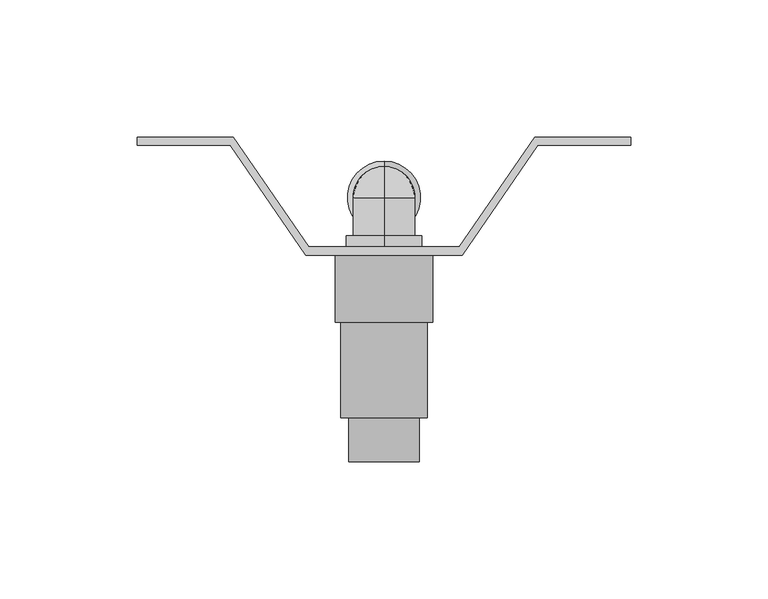
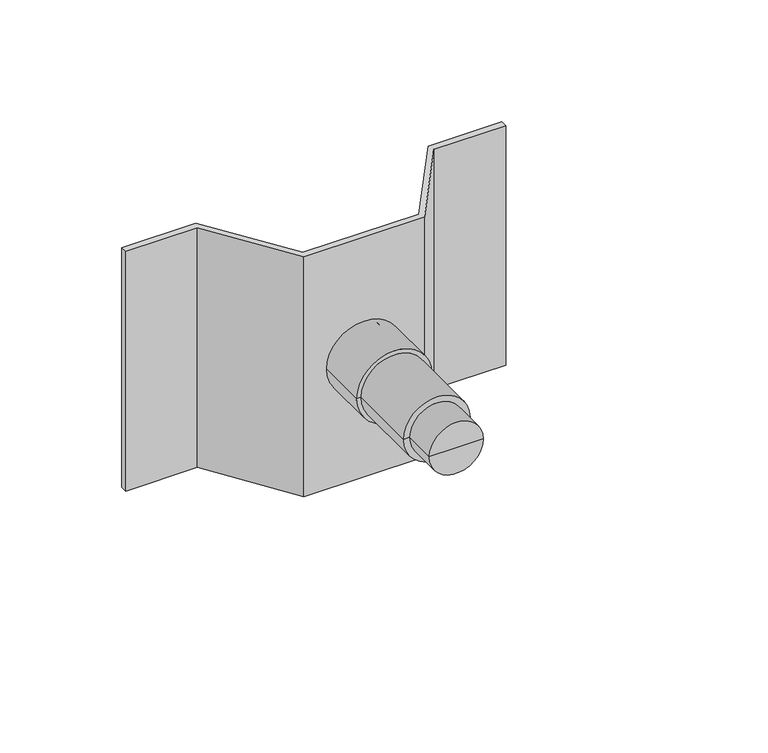
"""IFC4 building model written with IfcOpenShell, lengths in millimetres: flow terminal geometry."""

from ifc_helpers import new_model, si_unit, point, frame, origin, place, context, project, spatial, polyline, circle_curve, ellipse_curve, trimmed, outline, extrude, source, transform, mapped, element, save
from ifc_brep_helpers import plane_surface, cylinder_surface, revolved_surface, advanced_brep


def flow_terminal_7db11629(model_context):
    return source(origin(), model_context, "Body", "SolidModel", [
        advanced_brep(
        [(0.0, 0.0, -11.3), (0.0, 0.0, 11.3), (0.0, 11.3, 0.0), (0.0, -14.0, -11.3), (0.0, -14.0, 11.3), (0.0, -14.0, -13.8), (0.0, -14.0, 13.8), (0.0, -18.0, -13.8), (0.0, -18.0, 13.8), (0.0, -18.0, -11.3), (0.0, -18.0, 11.3), (0.0, -29.0, -11.3), (0.0, -29.0, 11.3), (0.0, -29.0, 0.0)],
        [
            (0, 1, circle_curve(frame((0.0, 0.0, 0.0), z_axis=(0.0, 1.0, 0.0), x_axis=(0.0, 0.0, 1.0)), 11.3)),
            (1, 2, circle_curve(frame((0.0, 0.0, 0.0), z_axis=(-1.0, 0.0, 0.0), x_axis=(0.0, 1.0, 0.0)), 11.3)),
            (2, 0, circle_curve(frame((0.0, 0.0, 0.0), z_axis=(-1.0, 0.0, 0.0), x_axis=(0.0, 1.0, 0.0)), 11.3)),
            (1, 0, circle_curve(frame((0.0, 0.0, 0.0), z_axis=(0.0, 1.0, 0.0), x_axis=(0.0, 0.0, 1.0)), 11.3)),
            (3, 4, circle_curve(frame((0.0, -14.0, 0.0), z_axis=(0.0, 1.0, 0.0), x_axis=(0.0, 0.0, 1.0)), 11.3)),
            (4, 1),
            (0, 3),
            (4, 3, circle_curve(frame((0.0, -14.0, 0.0), z_axis=(0.0, 1.0, 0.0), x_axis=(0.0, 0.0, 1.0)), 11.3)),
            (5, 6, circle_curve(frame((0.0, -14.0, 0.0), z_axis=(0.0, 1.0, 0.0), x_axis=(0.0, 0.0, 1.0)), 13.8)),
            (6, 4),
            (3, 5),
            (6, 5, circle_curve(frame((0.0, -14.0, 0.0), z_axis=(0.0, 1.0, 0.0), x_axis=(0.0, 0.0, 1.0)), 13.8)),
            (7, 8, circle_curve(frame((0.0, -18.0, 0.0), z_axis=(0.0, 1.0, 0.0), x_axis=(0.0, 0.0, 1.0)), 13.8)),
            (8, 6),
            (5, 7),
            (8, 7, circle_curve(frame((0.0, -18.0, 0.0), z_axis=(0.0, 1.0, 0.0), x_axis=(0.0, 0.0, 1.0)), 13.8)),
            (9, 10, circle_curve(frame((0.0, -18.0, 0.0), z_axis=(0.0, 1.0, 0.0), x_axis=(0.0, 0.0, 1.0)), 11.3)),
            (10, 8),
            (7, 9),
            (10, 9, circle_curve(frame((0.0, -18.0, 0.0), z_axis=(0.0, 1.0, 0.0), x_axis=(0.0, 0.0, 1.0)), 11.3)),
            (11, 12, circle_curve(frame((0.0, -29.0, 0.0), z_axis=(0.0, 1.0, 0.0), x_axis=(0.0, 0.0, 1.0)), 11.3)),
            (12, 10),
            (9, 11),
            (12, 11, circle_curve(frame((0.0, -29.0, 0.0), z_axis=(0.0, 1.0, 0.0), x_axis=(0.0, 0.0, 1.0)), 11.3)),
            (13, 12),
            (11, 13),
        ],
        [
            revolved_surface(trimmed(ellipse_curve(frame((0.0, 0.0, 0.0), z_axis=(1.0, 0.0, 0.0), x_axis=(0.0, 1.0, 0.0)), 11.3, 11.3), [point((0.0, 11.3, 0.0))], [point((0.0, 0.0, 11.3))], True, "CARTESIAN"), (0.0, 15.1860858, 0.0), (0.0, -1.0, 0.0)),
            cylinder_surface(frame((0.0, 15.1860858, 0.0), z_axis=(0.0, -1.0, 0.0), x_axis=(0.0, 0.0, 1.0)), 11.3),
            plane_surface(frame((0.0, -14.0, 0.0), z_axis=(0.0, 1.0, 0.0), x_axis=(0.0, 0.0, 1.0))),
            cylinder_surface(frame((0.0, 15.1860858, 0.0), z_axis=(0.0, -1.0, 0.0), x_axis=(0.0, 0.0, 1.0)), 13.8),
            plane_surface(frame((0.0, -18.0, 0.0), z_axis=(0.0, -1.0, 0.0), x_axis=(0.0, 0.0, 1.0))),
            plane_surface(frame((0.0, -29.0, 0.0), z_axis=(0.0, -1.0, 0.0), x_axis=(0.0, 0.0, 1.0))),
        ],
        [
            (0, [[1, 2, 3]]),
            (0, [[4, -3, -2]]),
            (1, [[5, 6, -1, 7]]),
            (1, [[8, -7, -4, -6]]),
            (2, [[9, 10, -5, 11]]),
            (2, [[12, -11, -8, -10]]),
            (3, [[13, 14, -9, 15]]),
            (3, [[16, -15, -12, -14]]),
            (4, [[17, 18, -13, 19]]),
            (4, [[20, -19, -16, -18]]),
            (1, [[21, 22, -17, 23]]),
            (1, [[24, -23, -20, -22]]),
            (5, [[25, -21, 26]]),
            (5, [[-26, -24, -25]]),
        ],
    ),
        advanced_brep(
        [(-17.85, -21.0, 0.0), (17.85, -21.0, 0.0), (17.85, -45.5, 0.0), (-17.85, -45.5, 0.0), (15.85, -45.5, 0.0), (-15.85, -45.5, 0.0), (15.85, -80.3, 0.0), (-15.85, -80.3, 0.0), (12.85, -80.3, 0.0), (-12.85, -80.3, 0.0), (12.85, -96.3, 0.0), (-12.85, -96.3, 0.0), (0.0, -96.3, 0.0), (0.0, -21.0, 0.0)],
        [
            (0, 1, circle_curve(frame((0.0, -21.0, 0.0), z_axis=(0.0, -1.0, 0.0), x_axis=(1.0, 0.0, 0.0)), 17.85)),
            (1, 2),
            (2, 3, circle_curve(frame((0.0, -45.5, 0.0), z_axis=(0.0, 1.0, 0.0), x_axis=(1.0, 0.0, 0.0)), 17.85)),
            (3, 0),
            (1, 0, circle_curve(frame((0.0, -21.0, 0.0), z_axis=(0.0, -1.0, 0.0), x_axis=(1.0, 0.0, 0.0)), 17.85)),
            (3, 2, circle_curve(frame((0.0, -45.5, 0.0), z_axis=(0.0, 1.0, 0.0), x_axis=(1.0, 0.0, 0.0)), 17.85)),
            (2, 4),
            (4, 5, circle_curve(frame((0.0, -45.5, 0.0), z_axis=(0.0, 1.0, 0.0), x_axis=(1.0, 0.0, 0.0)), 15.85)),
            (5, 3),
            (5, 4, circle_curve(frame((0.0, -45.5, 0.0), z_axis=(0.0, 1.0, 0.0), x_axis=(1.0, 0.0, 0.0)), 15.85)),
            (4, 6),
            (6, 7, circle_curve(frame((0.0, -80.3, 0.0), z_axis=(0.0, 1.0, 0.0), x_axis=(1.0, 0.0, 0.0)), 15.85)),
            (7, 5),
            (7, 6, circle_curve(frame((0.0, -80.3, 0.0), z_axis=(0.0, 1.0, 0.0), x_axis=(1.0, 0.0, 0.0)), 15.85)),
            (6, 8),
            (8, 9, circle_curve(frame((0.0, -80.3, 0.0), z_axis=(0.0, 1.0, 0.0), x_axis=(1.0, 0.0, 0.0)), 12.85)),
            (9, 7),
            (9, 8, circle_curve(frame((0.0, -80.3, 0.0), z_axis=(0.0, 1.0, 0.0), x_axis=(1.0, 0.0, 0.0)), 12.85)),
            (8, 10),
            (10, 11, circle_curve(frame((0.0, -96.3, 0.0), z_axis=(0.0, 1.0, 0.0), x_axis=(1.0, 0.0, 0.0)), 12.85)),
            (11, 9),
            (11, 10, circle_curve(frame((0.0, -96.3, 0.0), z_axis=(0.0, 1.0, 0.0), x_axis=(1.0, 0.0, 0.0)), 12.85)),
            (10, 12),
            (12, 11),
            (13, 1),
            (0, 13),
        ],
        [
            cylinder_surface(frame((0.0, -116.0, 0.0), z_axis=(0.0, 1.0, 0.0), x_axis=(1.0, 0.0, 0.0)), 17.85),
            plane_surface(frame((0.0, -45.5, 0.0), z_axis=(0.0, -1.0, 0.0), x_axis=(1.0, 0.0, 0.0))),
            cylinder_surface(frame((0.0, -116.0, 0.0), z_axis=(0.0, 1.0, 0.0), x_axis=(1.0, 0.0, 0.0)), 15.85),
            plane_surface(frame((0.0, -80.3, 0.0), z_axis=(0.0, -1.0, 0.0), x_axis=(1.0, 0.0, 0.0))),
            cylinder_surface(frame((0.0, -116.0, 0.0), z_axis=(0.0, 1.0, 0.0), x_axis=(1.0, 0.0, 0.0)), 12.85),
            plane_surface(frame((0.0, -96.3, 0.0), z_axis=(0.0, -1.0, 0.0), x_axis=(1.0, 0.0, 0.0))),
            plane_surface(frame((0.0, -21.0, 0.0), z_axis=(0.0, 1.0, 0.0), x_axis=(1.0, 0.0, 0.0))),
        ],
        [
            (0, [[1, 2, 3, 4]]),
            (0, [[5, -4, 6, -2]]),
            (1, [[-3, 7, 8, 9]]),
            (1, [[-6, -9, 10, -7]]),
            (2, [[-8, 11, 12, 13]]),
            (2, [[-10, -13, 14, -11]]),
            (3, [[-12, 15, 16, 17]]),
            (3, [[-14, -17, 18, -15]]),
            (4, [[-16, 19, 20, 21]]),
            (4, [[-18, -21, 22, -19]]),
            (5, [[-20, 23, 24]]),
            (5, [[-22, -24, -23]]),
            (6, [[25, -1, 26]]),
            (6, [[-26, -5, -25]]),
        ],
    ),
        extrude(outline(polyline([(-55.0, 22.0), (-27.5, -18.0), (27.5, -18.0), (55.0, 22.0), (90.0, 22.0), (90.0, 19.0), (56.0878906, 19.0), (28.5878906, -21.0), (-28.5878906, -21.0), (-56.0878906, 19.0), (-90.0, 19.0), (-90.0, 22.0), (-55.0, 22.0)])), frame((0.0, 0.0, -60.0), z_axis=(0.0, 0.0, 1.0), x_axis=(1.0, 0.0, 0.0)), (0.0, 0.0, 1.0), 120.0),
        advanced_brep(
        [(0.0, -11.0, -52.07), (0.0, 11.0, -52.07), (0.0, 0.0, -52.07), (0.0, -13.3, -51.07), (0.0, 13.3, -51.07), (0.0, -13.3, -14.23), (0.0, 13.3, -14.23), (0.0, -11.3, -12.23), (0.0, 11.3, -12.23), (0.0, -11.3, 0.0), (0.0, 11.3, 0.0), (0.0, 0.0, 11.3)],
        [
            (0, 1, circle_curve(frame((0.0, 0.0, -52.07), z_axis=(0.0, 0.0, -1.0), x_axis=(0.0, 1.0, 0.0)), 11.0)),
            (1, 2),
            (2, 0),
            (1, 0, circle_curve(frame((0.0, 0.0, -52.07), z_axis=(0.0, 0.0, -1.0), x_axis=(0.0, 1.0, 0.0)), 11.0)),
            (3, 4, circle_curve(frame((0.0, 0.0, -51.07), z_axis=(0.0, 0.0, -1.0), x_axis=(0.0, 1.0, 0.0)), 13.3)),
            (4, 1),
            (0, 3),
            (4, 3, circle_curve(frame((0.0, 0.0, -51.07), z_axis=(0.0, 0.0, -1.0), x_axis=(0.0, 1.0, 0.0)), 13.3)),
            (5, 6, circle_curve(frame((0.0, 0.0, -14.23), z_axis=(0.0, 0.0, -1.0), x_axis=(0.0, 1.0, 0.0)), 13.3)),
            (6, 4),
            (3, 5),
            (6, 5, circle_curve(frame((0.0, 0.0, -14.23), z_axis=(0.0, 0.0, -1.0), x_axis=(0.0, 1.0, 0.0)), 13.3)),
            (7, 8, circle_curve(frame((0.0, 0.0, -12.23), z_axis=(0.0, 0.0, -1.0), x_axis=(0.0, 1.0, 0.0)), 11.3)),
            (8, 6),
            (5, 7),
            (8, 7, circle_curve(frame((0.0, 0.0, -12.23), z_axis=(0.0, 0.0, -1.0), x_axis=(0.0, 1.0, 0.0)), 11.3)),
            (9, 10, circle_curve(frame((0.0, 0.0, 0.0), z_axis=(0.0, 0.0, -1.0), x_axis=(0.0, 1.0, 0.0)), 11.3)),
            (10, 8),
            (7, 9),
            (10, 9, circle_curve(frame((0.0, 0.0, 0.0), z_axis=(0.0, 0.0, -1.0), x_axis=(0.0, 1.0, 0.0)), 11.3)),
            (11, 10, circle_curve(frame((0.0, 0.0, 0.0), z_axis=(-1.0, 0.0, 0.0), x_axis=(0.0, 1.0, 0.0)), 11.3)),
            (9, 11, circle_curve(frame((0.0, 0.0, 0.0), z_axis=(-1.0, 0.0, 0.0), x_axis=(0.0, -1.0, 0.0)), 11.3)),
        ],
        [
            plane_surface(frame((0.0, 0.0, -52.07), z_axis=(0.0, 0.0, -1.0), x_axis=(0.0, 1.0, 0.0))),
            revolved_surface(polyline([(0.0, 11.0, -52.07), (0.0, 13.3, -51.07)]), (0.0, 0.0, -56.8526087), (0.0, 0.0, 1.0)),
            cylinder_surface(frame((0.0, 0.0, -56.8526087), z_axis=(0.0, 0.0, 1.0), x_axis=(0.0, 1.0, 0.0)), 13.3),
            revolved_surface(polyline([(0.0, 13.3, -14.23), (0.0, 11.3, -12.23)]), (0.0, 0.0, -56.8526087), (0.0, 0.0, 1.0)),
            cylinder_surface(frame((0.0, 0.0, -56.8526087), z_axis=(0.0, 0.0, 1.0), x_axis=(0.0, 1.0, 0.0)), 11.3),
            revolved_surface(trimmed(ellipse_curve(frame((0.0, 0.0, 0.0), z_axis=(1.0, 0.0, 0.0), x_axis=(0.0, 1.0, 0.0)), 11.3, 11.3), [point((0.0, 11.3, 0.0))], [point((0.0, 0.0, 11.3))], True, "CARTESIAN"), (0.0, 0.0, -56.8526087), (0.0, 0.0, 1.0)),
        ],
        [
            (0, [[1, 2, 3]]),
            (0, [[4, -3, -2]]),
            (1, [[5, 6, -1, 7]]),
            (1, [[8, -7, -4, -6]]),
            (2, [[9, 10, -5, 11]]),
            (2, [[12, -11, -8, -10]]),
            (3, [[13, 14, -9, 15]]),
            (3, [[16, -15, -12, -14]]),
            (4, [[17, 18, -13, 19]]),
            (4, [[20, -19, -16, -18]]),
            (5, [[21, -17, 22]]),
            (5, [[-22, -20, -21]]),
        ],
    ),
    ])


if __name__ == "__main__":
    model = new_model("IFC4")
    model_context = context("Model", 3, world=origin())
    ifc_project = project(units=[si_unit("LENGTHUNIT", "METRE", prefix="MILLI")], contexts=[model_context])
    site = spatial("IfcSite", under=ifc_project)
    building = spatial("IfcBuilding", under=site)
    placement = place(None, origin())
    flow_terminal_shape = flow_terminal_7db11629(model_context)
    element("IfcFlowTerminal", 1, at=placement, inside=building, context=model_context, shape_type="MappedRepresentation", body=[
        mapped(flow_terminal_shape, transform((0.0, 0.0, 0.0), x_axis=(1.0, 0.0, 0.0), y_axis=(0.0, 1.0, 0.0), z_axis=(0.0, 0.0, 1.0))),
    ])
    save(model, "model.ifc")
